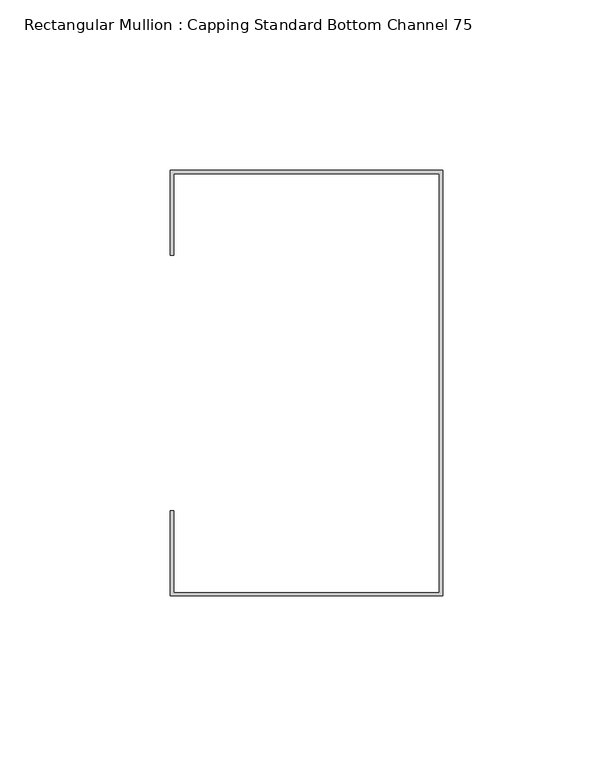
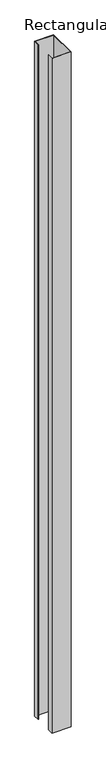
"""IFC4 building model written with IfcOpenShell, lengths in millimetres: member geometry, Rectangular Mullion : Capping Standard Bottom Channel 75."""

from ifc_helpers import new_model, si_unit, frame, origin, place, context, project, spatial, polyline, outline, extrude, source, transform, mapped, element, save


def rectangular_mullion_capping_standard_bottom_channel_75_5022a223(model_context):
    return source(origin(), model_context, "Body", "SweptSolid", [
        extrude(outline(polyline([(-0.95, 61.55), (-79.05, 61.55), (-79.05, 37.5), (-80.0, 37.5), (-80.0, 62.5), (0.0, 62.5), (0.0, -62.5), (-80.0, -62.5), (-80.0, -37.5), (-79.05, -37.5), (-79.05, -61.55), (-0.95, -61.55), (-0.95, 61.55)])), frame((0.0, 0.0, -3000.0), z_axis=(0.0, 0.0, 1.0), x_axis=(1.0, 0.0, 0.0)), (0.0, 0.0, 1.0), 3000.0),
    ])


if __name__ == "__main__":
    model = new_model("IFC4")
    model_context = context("Model", 3, world=origin())
    ifc_project = project(units=[si_unit("LENGTHUNIT", "METRE", prefix="MILLI")], contexts=[model_context])
    site = spatial("IfcSite", under=ifc_project)
    building = spatial("IfcBuilding", under=site)
    placement = place(None, origin())
    rectangular_mullion_capping_standard_bottom_channel_75_shape = rectangular_mullion_capping_standard_bottom_channel_75_5022a223(model_context)
    element("IfcMember", 1, ObjectType="Rectangular Mullion : Capping Standard Bottom Channel 75", at=placement, inside=building, context=model_context, shape_type="MappedRepresentation", body=[
        mapped(rectangular_mullion_capping_standard_bottom_channel_75_shape, transform((0.0, 0.0, 0.0), x_axis=(1.0, 0.0, 0.0), y_axis=(0.0, 1.0, 0.0), z_axis=(0.0, 0.0, 1.0))),
    ])
    save(model, "model.ifc")
